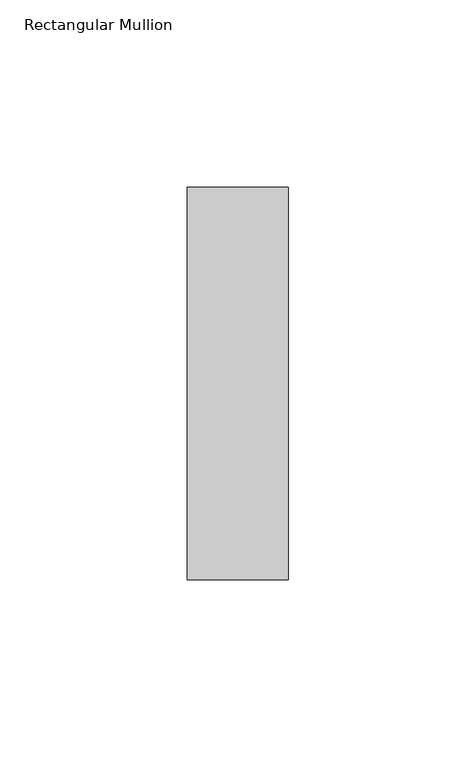
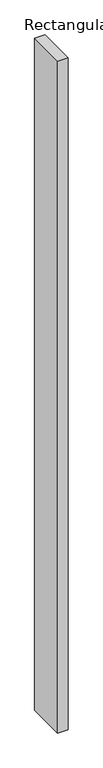
"""IFC4 building model written with IfcOpenShell, lengths in millimetres: member geometry, Rectangular Mullion."""

from ifc_helpers import new_model, si_unit, frame, origin, place, context, project, spatial, polyline, outline, extrude, source, transform, mapped, element, save


def rectangular_mullion_41613aa8(model_context):
    return source(origin(), model_context, "Body", "SweptSolid", [
        extrude(outline(polyline([(0.0, 52.3975), (0.0, -52.3975), (-27.0, -52.3975), (-27.0, 52.3975), (0.0, 52.3975)])), frame((0.0, 0.0, -1870.0839206), z_axis=(0.0, 0.0, 1.0), x_axis=(1.0, 0.0, 0.0)), (0.0, 0.0, 1.0), 1870.0839206),
    ])


if __name__ == "__main__":
    model = new_model("IFC4")
    model_context = context("Model", 3, world=origin())
    ifc_project = project(units=[si_unit("LENGTHUNIT", "METRE", prefix="MILLI")], contexts=[model_context])
    site = spatial("IfcSite", under=ifc_project)
    building = spatial("IfcBuilding", under=site)
    placement = place(None, origin())
    rectangular_mullion_shape = rectangular_mullion_41613aa8(model_context)
    element("IfcMember", 1, ObjectType="Rectangular Mullion", at=placement, inside=building, context=model_context, shape_type="MappedRepresentation", body=[
        mapped(rectangular_mullion_shape, transform((0.0, 0.0, 0.0), x_axis=(1.0, 0.0, 0.0), y_axis=(0.0, 1.0, 0.0), z_axis=(0.0, 0.0, 1.0))),
    ])
    save(model, "model.ifc")
